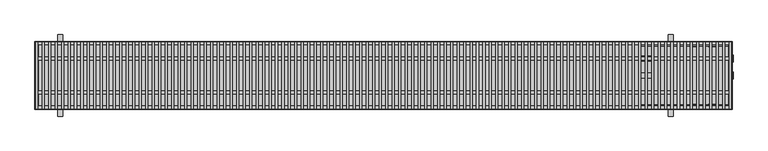
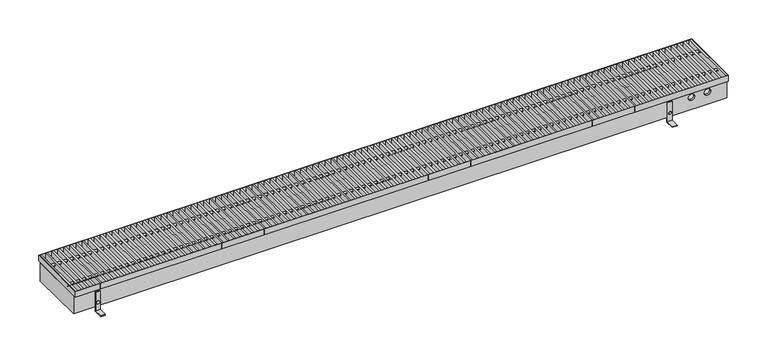
"""IFC4 building model written with IfcOpenShell, lengths in millimetres: proxy geometry."""

from ifc_helpers import new_model, si_unit, point, frame, frame_2d, origin, place, context, project, spatial, polyline, circle_curve, trimmed, segment, composite_curve, outline, extrude, faceted_brep, source, transform, mapped, element, save
from ifc_brep_helpers import plane_surface, revolved_surface, advanced_brep


def mechanical_equipment_a491f39c(model_context):
    return source(origin(), model_context, "Body", "SolidModel", [
        extrude(outline(polyline([(2022.9345794, -98.5), (2022.9345794, 98.5), (2028.9345794, 98.5), (2028.9345794, -98.5), (2022.9345794, -98.5)])), frame((0.0, 0.0, 77.0), z_axis=(0.0, 0.0, 1.0), x_axis=(1.0, 0.0, 0.0)), (0.0, 0.0, 1.0), 18.0),
        extrude(outline(polyline([(2003.8691589, -98.5), (2003.8691589, 98.5), (2009.8691589, 98.5), (2009.8691589, -98.5), (2003.8691589, -98.5)])), frame((0.0, 0.0, 77.0), z_axis=(0.0, 0.0, 1.0), x_axis=(1.0, 0.0, 0.0)), (0.0, 0.0, 1.0), 18.0),
        extrude(outline(polyline([(1984.8037383, -98.5), (1984.8037383, 98.5), (1990.8037383, 98.5), (1990.8037383, -98.5), (1984.8037383, -98.5)])), frame((0.0, 0.0, 77.0), z_axis=(0.0, 0.0, 1.0), x_axis=(1.0, 0.0, 0.0)), (0.0, 0.0, 1.0), 18.0),
        extrude(outline(polyline([(1965.7383178, -98.5), (1965.7383178, 98.5), (1971.7383178, 98.5), (1971.7383178, -98.5), (1965.7383178, -98.5)])), frame((0.0, 0.0, 77.0), z_axis=(0.0, 0.0, 1.0), x_axis=(1.0, 0.0, 0.0)), (0.0, 0.0, 1.0), 18.0),
        extrude(outline(polyline([(1946.6728972, -98.5), (1946.6728972, 98.5), (1952.6728972, 98.5), (1952.6728972, -98.5), (1946.6728972, -98.5)])), frame((0.0, 0.0, 77.0), z_axis=(0.0, 0.0, 1.0), x_axis=(1.0, 0.0, 0.0)), (0.0, 0.0, 1.0), 18.0),
        extrude(outline(polyline([(1927.6074766, -98.5), (1927.6074766, 98.5), (1933.6074766, 98.5), (1933.6074766, -98.5), (1927.6074766, -98.5)])), frame((0.0, 0.0, 77.0), z_axis=(0.0, 0.0, 1.0), x_axis=(1.0, 0.0, 0.0)), (0.0, 0.0, 1.0), 18.0),
        extrude(outline(polyline([(1908.5420561, -98.5), (1908.5420561, 98.5), (1914.5420561, 98.5), (1914.5420561, -98.5), (1908.5420561, -98.5)])), frame((0.0, 0.0, 77.0), z_axis=(0.0, 0.0, 1.0), x_axis=(1.0, 0.0, 0.0)), (0.0, 0.0, 1.0), 18.0),
        extrude(outline(polyline([(1889.4766355, -98.5), (1889.4766355, 98.5), (1895.4766355, 98.5), (1895.4766355, -98.5), (1889.4766355, -98.5)])), frame((0.0, 0.0, 77.0), z_axis=(0.0, 0.0, 1.0), x_axis=(1.0, 0.0, 0.0)), (0.0, 0.0, 1.0), 18.0),
        extrude(outline(polyline([(1870.411215, -98.5), (1870.411215, 98.5), (1876.411215, 98.5), (1876.411215, -98.5), (1870.411215, -98.5)])), frame((0.0, 0.0, 77.0), z_axis=(0.0, 0.0, 1.0), x_axis=(1.0, 0.0, 0.0)), (0.0, 0.0, 1.0), 18.0),
        extrude(outline(polyline([(1851.3457944, -98.5), (1851.3457944, 98.5), (1857.3457944, 98.5), (1857.3457944, -98.5), (1851.3457944, -98.5)])), frame((0.0, 0.0, 77.0), z_axis=(0.0, 0.0, 1.0), x_axis=(1.0, 0.0, 0.0)), (0.0, 0.0, 1.0), 18.0),
        extrude(outline(polyline([(1832.2803738, -98.5), (1832.2803738, 98.5), (1838.2803738, 98.5), (1838.2803738, -98.5), (1832.2803738, -98.5)])), frame((0.0, 0.0, 77.0), z_axis=(0.0, 0.0, 1.0), x_axis=(1.0, 0.0, 0.0)), (0.0, 0.0, 1.0), 18.0),
        extrude(outline(polyline([(1813.2149533, -98.5), (1813.2149533, 98.5), (1819.2149533, 98.5), (1819.2149533, -98.5), (1813.2149533, -98.5)])), frame((0.0, 0.0, 77.0), z_axis=(0.0, 0.0, 1.0), x_axis=(1.0, 0.0, 0.0)), (0.0, 0.0, 1.0), 18.0),
        extrude(outline(polyline([(1794.1495327, -98.5), (1794.1495327, 98.5), (1800.1495327, 98.5), (1800.1495327, -98.5), (1794.1495327, -98.5)])), frame((0.0, 0.0, 77.0), z_axis=(0.0, 0.0, 1.0), x_axis=(1.0, 0.0, 0.0)), (0.0, 0.0, 1.0), 18.0),
        extrude(outline(polyline([(1775.0841121, -98.5), (1775.0841121, 98.5), (1781.0841121, 98.5), (1781.0841121, -98.5), (1775.0841121, -98.5)])), frame((0.0, 0.0, 77.0), z_axis=(0.0, 0.0, 1.0), x_axis=(1.0, 0.0, 0.0)), (0.0, 0.0, 1.0), 18.0),
        extrude(outline(polyline([(1756.0186916, -98.5), (1756.0186916, 98.5), (1762.0186916, 98.5), (1762.0186916, -98.5), (1756.0186916, -98.5)])), frame((0.0, 0.0, 77.0), z_axis=(0.0, 0.0, 1.0), x_axis=(1.0, 0.0, 0.0)), (0.0, 0.0, 1.0), 18.0),
        extrude(outline(polyline([(1736.953271, -98.5), (1736.953271, 98.5), (1742.953271, 98.5), (1742.953271, -98.5), (1736.953271, -98.5)])), frame((0.0, 0.0, 77.0), z_axis=(0.0, 0.0, 1.0), x_axis=(1.0, 0.0, 0.0)), (0.0, 0.0, 1.0), 18.0),
        extrude(outline(polyline([(1717.8878505, -98.5), (1717.8878505, 98.5), (1723.8878505, 98.5), (1723.8878505, -98.5), (1717.8878505, -98.5)])), frame((0.0, 0.0, 77.0), z_axis=(0.0, 0.0, 1.0), x_axis=(1.0, 0.0, 0.0)), (0.0, 0.0, 1.0), 18.0),
        extrude(outline(polyline([(1698.8224299, -98.5), (1698.8224299, 98.5), (1704.8224299, 98.5), (1704.8224299, -98.5), (1698.8224299, -98.5)])), frame((0.0, 0.0, 77.0), z_axis=(0.0, 0.0, 1.0), x_axis=(1.0, 0.0, 0.0)), (0.0, 0.0, 1.0), 18.0),
        extrude(outline(polyline([(1679.7570093, -98.5), (1679.7570093, 98.5), (1685.7570093, 98.5), (1685.7570093, -98.5), (1679.7570093, -98.5)])), frame((0.0, 0.0, 77.0), z_axis=(0.0, 0.0, 1.0), x_axis=(1.0, 0.0, 0.0)), (0.0, 0.0, 1.0), 18.0),
        extrude(outline(polyline([(1660.6915888, -98.5), (1660.6915888, 98.5), (1666.6915888, 98.5), (1666.6915888, -98.5), (1660.6915888, -98.5)])), frame((0.0, 0.0, 77.0), z_axis=(0.0, 0.0, 1.0), x_axis=(1.0, 0.0, 0.0)), (0.0, 0.0, 1.0), 18.0),
        extrude(outline(polyline([(1641.6261682, -98.5), (1641.6261682, 98.5), (1647.6261682, 98.5), (1647.6261682, -98.5), (1641.6261682, -98.5)])), frame((0.0, 0.0, 77.0), z_axis=(0.0, 0.0, 1.0), x_axis=(1.0, 0.0, 0.0)), (0.0, 0.0, 1.0), 18.0),
        extrude(outline(polyline([(1622.5607477, -98.5), (1622.5607477, 98.5), (1628.5607477, 98.5), (1628.5607477, -98.5), (1622.5607477, -98.5)])), frame((0.0, 0.0, 77.0), z_axis=(0.0, 0.0, 1.0), x_axis=(1.0, 0.0, 0.0)), (0.0, 0.0, 1.0), 18.0),
        extrude(outline(polyline([(1603.4953271, -98.5), (1603.4953271, 98.5), (1609.4953271, 98.5), (1609.4953271, -98.5), (1603.4953271, -98.5)])), frame((0.0, 0.0, 77.0), z_axis=(0.0, 0.0, 1.0), x_axis=(1.0, 0.0, 0.0)), (0.0, 0.0, 1.0), 18.0),
        extrude(outline(polyline([(1584.4299065, -98.5), (1584.4299065, 98.5), (1590.4299065, 98.5), (1590.4299065, -98.5), (1584.4299065, -98.5)])), frame((0.0, 0.0, 77.0), z_axis=(0.0, 0.0, 1.0), x_axis=(1.0, 0.0, 0.0)), (0.0, 0.0, 1.0), 18.0),
        extrude(outline(polyline([(1565.364486, -98.5), (1565.364486, 98.5), (1571.364486, 98.5), (1571.364486, -98.5), (1565.364486, -98.5)])), frame((0.0, 0.0, 77.0), z_axis=(0.0, 0.0, 1.0), x_axis=(1.0, 0.0, 0.0)), (0.0, 0.0, 1.0), 18.0),
        extrude(outline(polyline([(1546.2990654, -98.5), (1546.2990654, 98.5), (1552.2990654, 98.5), (1552.2990654, -98.5), (1546.2990654, -98.5)])), frame((0.0, 0.0, 77.0), z_axis=(0.0, 0.0, 1.0), x_axis=(1.0, 0.0, 0.0)), (0.0, 0.0, 1.0), 18.0),
        extrude(outline(polyline([(1527.2336449, -98.5), (1527.2336449, 98.5), (1533.2336449, 98.5), (1533.2336449, -98.5), (1527.2336449, -98.5)])), frame((0.0, 0.0, 77.0), z_axis=(0.0, 0.0, 1.0), x_axis=(1.0, 0.0, 0.0)), (0.0, 0.0, 1.0), 18.0),
        extrude(outline(polyline([(1508.1682243, -98.5), (1508.1682243, 98.5), (1514.1682243, 98.5), (1514.1682243, -98.5), (1508.1682243, -98.5)])), frame((0.0, 0.0, 77.0), z_axis=(0.0, 0.0, 1.0), x_axis=(1.0, 0.0, 0.0)), (0.0, 0.0, 1.0), 18.0),
        extrude(outline(polyline([(1489.1028037, -98.5), (1489.1028037, 98.5), (1495.1028037, 98.5), (1495.1028037, -98.5), (1489.1028037, -98.5)])), frame((0.0, 0.0, 77.0), z_axis=(0.0, 0.0, 1.0), x_axis=(1.0, 0.0, 0.0)), (0.0, 0.0, 1.0), 18.0),
        extrude(outline(composite_curve([segment(trimmed(circle_curve(frame_2d((-50.0, 86.0)), 4.0), [point((-54.0, 86.0))], [point((-46.0, 86.0))], False, "CARTESIAN"), True, "CONTINUOUS"), segment(trimmed(circle_curve(frame_2d((-50.0, 86.0)), 4.0), [point((-46.0, 86.0))], [point((-54.0, 86.0))], False, "CARTESIAN"), True, "CONTINUOUS")], self_intersect=False)), frame((1.5, 0.0, 0.0), z_axis=(1.0, 0.0, 0.0), x_axis=(0.0, 1.0, 0.0)), (0.0, 0.0, 1.0), 2047.0),
        extrude(outline(composite_curve([segment(trimmed(circle_curve(frame_2d((50.0, 86.0)), 4.0), [point((46.0, 86.0))], [point((54.0, 86.0))], False, "CARTESIAN"), True, "CONTINUOUS"), segment(trimmed(circle_curve(frame_2d((50.0, 86.0)), 4.0), [point((54.0, 86.0))], [point((46.0, 86.0))], False, "CARTESIAN"), True, "CONTINUOUS")], self_intersect=False)), frame((1.5, 0.0, 0.0), z_axis=(1.0, 0.0, 0.0), x_axis=(0.0, 1.0, 0.0)), (0.0, 0.0, 1.0), 2047.0),
        extrude(outline(polyline([(1470.0373832, -98.5), (1470.0373832, 98.5), (1476.0373832, 98.5), (1476.0373832, -98.5), (1470.0373832, -98.5)])), frame((0.0, 0.0, 77.0), z_axis=(0.0, 0.0, 1.0), x_axis=(1.0, 0.0, 0.0)), (0.0, 0.0, 1.0), 18.0),
        extrude(outline(polyline([(1450.9719626, -98.5), (1450.9719626, 98.5), (1456.9719626, 98.5), (1456.9719626, -98.5), (1450.9719626, -98.5)])), frame((0.0, 0.0, 77.0), z_axis=(0.0, 0.0, 1.0), x_axis=(1.0, 0.0, 0.0)), (0.0, 0.0, 1.0), 18.0),
        extrude(outline(polyline([(1431.9065421, -98.5), (1431.9065421, 98.5), (1437.9065421, 98.5), (1437.9065421, -98.5), (1431.9065421, -98.5)])), frame((0.0, 0.0, 77.0), z_axis=(0.0, 0.0, 1.0), x_axis=(1.0, 0.0, 0.0)), (0.0, 0.0, 1.0), 18.0),
        extrude(outline(polyline([(1412.8411215, -98.5), (1412.8411215, 98.5), (1418.8411215, 98.5), (1418.8411215, -98.5), (1412.8411215, -98.5)])), frame((0.0, 0.0, 77.0), z_axis=(0.0, 0.0, 1.0), x_axis=(1.0, 0.0, 0.0)), (0.0, 0.0, 1.0), 18.0),
        extrude(outline(polyline([(1393.7757009, -98.5), (1393.7757009, 98.5), (1399.7757009, 98.5), (1399.7757009, -98.5), (1393.7757009, -98.5)])), frame((0.0, 0.0, 77.0), z_axis=(0.0, 0.0, 1.0), x_axis=(1.0, 0.0, 0.0)), (0.0, 0.0, 1.0), 18.0),
        extrude(outline(polyline([(1374.7102804, -98.5), (1374.7102804, 98.5), (1380.7102804, 98.5), (1380.7102804, -98.5), (1374.7102804, -98.5)])), frame((0.0, 0.0, 77.0), z_axis=(0.0, 0.0, 1.0), x_axis=(1.0, 0.0, 0.0)), (0.0, 0.0, 1.0), 18.0),
        extrude(outline(polyline([(1355.6448598, -98.5), (1355.6448598, 98.5), (1361.6448598, 98.5), (1361.6448598, -98.5), (1355.6448598, -98.5)])), frame((0.0, 0.0, 77.0), z_axis=(0.0, 0.0, 1.0), x_axis=(1.0, 0.0, 0.0)), (0.0, 0.0, 1.0), 18.0),
        extrude(outline(polyline([(1336.5794393, -98.5), (1336.5794393, 98.5), (1342.5794393, 98.5), (1342.5794393, -98.5), (1336.5794393, -98.5)])), frame((0.0, 0.0, 77.0), z_axis=(0.0, 0.0, 1.0), x_axis=(1.0, 0.0, 0.0)), (0.0, 0.0, 1.0), 18.0),
        extrude(outline(polyline([(1317.5140187, -98.5), (1317.5140187, 98.5), (1323.5140187, 98.5), (1323.5140187, -98.5), (1317.5140187, -98.5)])), frame((0.0, 0.0, 77.0), z_axis=(0.0, 0.0, 1.0), x_axis=(1.0, 0.0, 0.0)), (0.0, 0.0, 1.0), 18.0),
        extrude(outline(polyline([(1298.4485981, -98.5), (1298.4485981, 98.5), (1304.4485981, 98.5), (1304.4485981, -98.5), (1298.4485981, -98.5)])), frame((0.0, 0.0, 77.0), z_axis=(0.0, 0.0, 1.0), x_axis=(1.0, 0.0, 0.0)), (0.0, 0.0, 1.0), 18.0),
        extrude(outline(polyline([(1279.3831776, -98.5), (1279.3831776, 98.5), (1285.3831776, 98.5), (1285.3831776, -98.5), (1279.3831776, -98.5)])), frame((0.0, 0.0, 77.0), z_axis=(0.0, 0.0, 1.0), x_axis=(1.0, 0.0, 0.0)), (0.0, 0.0, 1.0), 18.0),
        extrude(outline(polyline([(1260.317757, -98.5), (1260.317757, 98.5), (1266.317757, 98.5), (1266.317757, -98.5), (1260.317757, -98.5)])), frame((0.0, 0.0, 77.0), z_axis=(0.0, 0.0, 1.0), x_axis=(1.0, 0.0, 0.0)), (0.0, 0.0, 1.0), 18.0),
        extrude(outline(polyline([(1241.2523364, -98.5), (1241.2523364, 98.5), (1247.2523364, 98.5), (1247.2523364, -98.5), (1241.2523364, -98.5)])), frame((0.0, 0.0, 77.0), z_axis=(0.0, 0.0, 1.0), x_axis=(1.0, 0.0, 0.0)), (0.0, 0.0, 1.0), 18.0),
        extrude(outline(polyline([(1222.1869159, -98.5), (1222.1869159, 98.5), (1228.1869159, 98.5), (1228.1869159, -98.5), (1222.1869159, -98.5)])), frame((0.0, 0.0, 77.0), z_axis=(0.0, 0.0, 1.0), x_axis=(1.0, 0.0, 0.0)), (0.0, 0.0, 1.0), 18.0),
        extrude(outline(polyline([(1203.1214953, -98.5), (1203.1214953, 98.5), (1209.1214953, 98.5), (1209.1214953, -98.5), (1203.1214953, -98.5)])), frame((0.0, 0.0, 77.0), z_axis=(0.0, 0.0, 1.0), x_axis=(1.0, 0.0, 0.0)), (0.0, 0.0, 1.0), 18.0),
        extrude(outline(polyline([(1184.0560748, -98.5), (1184.0560748, 98.5), (1190.0560748, 98.5), (1190.0560748, -98.5), (1184.0560748, -98.5)])), frame((0.0, 0.0, 77.0), z_axis=(0.0, 0.0, 1.0), x_axis=(1.0, 0.0, 0.0)), (0.0, 0.0, 1.0), 18.0),
        extrude(outline(polyline([(1164.9906542, -98.5), (1164.9906542, 98.5), (1170.9906542, 98.5), (1170.9906542, -98.5), (1164.9906542, -98.5)])), frame((0.0, 0.0, 77.0), z_axis=(0.0, 0.0, 1.0), x_axis=(1.0, 0.0, 0.0)), (0.0, 0.0, 1.0), 18.0),
        extrude(outline(polyline([(1145.9252336, -98.5), (1145.9252336, 98.5), (1151.9252336, 98.5), (1151.9252336, -98.5), (1145.9252336, -98.5)])), frame((0.0, 0.0, 77.0), z_axis=(0.0, 0.0, 1.0), x_axis=(1.0, 0.0, 0.0)), (0.0, 0.0, 1.0), 18.0),
        extrude(outline(polyline([(1126.8598131, -98.5), (1126.8598131, 98.5), (1132.8598131, 98.5), (1132.8598131, -98.5), (1126.8598131, -98.5)])), frame((0.0, 0.0, 77.0), z_axis=(0.0, 0.0, 1.0), x_axis=(1.0, 0.0, 0.0)), (0.0, 0.0, 1.0), 18.0),
        extrude(outline(polyline([(1107.7943925, -98.5), (1107.7943925, 98.5), (1113.7943925, 98.5), (1113.7943925, -98.5), (1107.7943925, -98.5)])), frame((0.0, 0.0, 77.0), z_axis=(0.0, 0.0, 1.0), x_axis=(1.0, 0.0, 0.0)), (0.0, 0.0, 1.0), 18.0),
        extrude(outline(polyline([(1088.728972, -98.5), (1088.728972, 98.5), (1094.728972, 98.5), (1094.728972, -98.5), (1088.728972, -98.5)])), frame((0.0, 0.0, 77.0), z_axis=(0.0, 0.0, 1.0), x_axis=(1.0, 0.0, 0.0)), (0.0, 0.0, 1.0), 18.0),
        extrude(outline(polyline([(1069.6635514, -98.5), (1069.6635514, 98.5), (1075.6635514, 98.5), (1075.6635514, -98.5), (1069.6635514, -98.5)])), frame((0.0, 0.0, 77.0), z_axis=(0.0, 0.0, 1.0), x_axis=(1.0, 0.0, 0.0)), (0.0, 0.0, 1.0), 18.0),
        extrude(outline(polyline([(1050.5981308, -98.5), (1050.5981308, 98.5), (1056.5981308, 98.5), (1056.5981308, -98.5), (1050.5981308, -98.5)])), frame((0.0, 0.0, 77.0), z_axis=(0.0, 0.0, 1.0), x_axis=(1.0, 0.0, 0.0)), (0.0, 0.0, 1.0), 18.0),
        extrude(outline(polyline([(1031.5327103, -98.5), (1031.5327103, 98.5), (1037.5327103, 98.5), (1037.5327103, -98.5), (1031.5327103, -98.5)])), frame((0.0, 0.0, 77.0), z_axis=(0.0, 0.0, 1.0), x_axis=(1.0, 0.0, 0.0)), (0.0, 0.0, 1.0), 18.0),
        extrude(outline(polyline([(1012.4672897, -98.5), (1012.4672897, 98.5), (1018.4672897, 98.5), (1018.4672897, -98.5), (1012.4672897, -98.5)])), frame((0.0, 0.0, 77.0), z_axis=(0.0, 0.0, 1.0), x_axis=(1.0, 0.0, 0.0)), (0.0, 0.0, 1.0), 18.0),
        extrude(outline(polyline([(993.4018692, -98.5), (993.4018692, 98.5), (999.4018692, 98.5), (999.4018692, -98.5), (993.4018692, -98.5)])), frame((0.0, 0.0, 77.0), z_axis=(0.0, 0.0, 1.0), x_axis=(1.0, 0.0, 0.0)), (0.0, 0.0, 1.0), 18.0),
        extrude(outline(polyline([(974.3364486, -98.5), (974.3364486, 98.5), (980.3364486, 98.5), (980.3364486, -98.5), (974.3364486, -98.5)])), frame((0.0, 0.0, 77.0), z_axis=(0.0, 0.0, 1.0), x_axis=(1.0, 0.0, 0.0)), (0.0, 0.0, 1.0), 18.0),
        extrude(outline(polyline([(955.271028, -98.5), (955.271028, 98.5), (961.271028, 98.5), (961.271028, -98.5), (955.271028, -98.5)])), frame((0.0, 0.0, 77.0), z_axis=(0.0, 0.0, 1.0), x_axis=(1.0, 0.0, 0.0)), (0.0, 0.0, 1.0), 18.0),
        extrude(outline(polyline([(936.2056075, -98.5), (936.2056075, 98.5), (942.2056075, 98.5), (942.2056075, -98.5), (936.2056075, -98.5)])), frame((0.0, 0.0, 77.0), z_axis=(0.0, 0.0, 1.0), x_axis=(1.0, 0.0, 0.0)), (0.0, 0.0, 1.0), 18.0),
        extrude(outline(polyline([(917.1401869, -98.5), (917.1401869, 98.5), (923.1401869, 98.5), (923.1401869, -98.5), (917.1401869, -98.5)])), frame((0.0, 0.0, 77.0), z_axis=(0.0, 0.0, 1.0), x_axis=(1.0, 0.0, 0.0)), (0.0, 0.0, 1.0), 18.0),
        extrude(outline(polyline([(898.0747664, -98.5), (898.0747664, 98.5), (904.0747664, 98.5), (904.0747664, -98.5), (898.0747664, -98.5)])), frame((0.0, 0.0, 77.0), z_axis=(0.0, 0.0, 1.0), x_axis=(1.0, 0.0, 0.0)), (0.0, 0.0, 1.0), 18.0),
        extrude(outline(polyline([(879.0093458, -98.5), (879.0093458, 98.5), (885.0093458, 98.5), (885.0093458, -98.5), (879.0093458, -98.5)])), frame((0.0, 0.0, 77.0), z_axis=(0.0, 0.0, 1.0), x_axis=(1.0, 0.0, 0.0)), (0.0, 0.0, 1.0), 18.0),
        extrude(outline(polyline([(859.9439252, -98.5), (859.9439252, 98.5), (865.9439252, 98.5), (865.9439252, -98.5), (859.9439252, -98.5)])), frame((0.0, 0.0, 77.0), z_axis=(0.0, 0.0, 1.0), x_axis=(1.0, 0.0, 0.0)), (0.0, 0.0, 1.0), 18.0),
        extrude(outline(polyline([(840.8785047, -98.5), (840.8785047, 98.5), (846.8785047, 98.5), (846.8785047, -98.5), (840.8785047, -98.5)])), frame((0.0, 0.0, 77.0), z_axis=(0.0, 0.0, 1.0), x_axis=(1.0, 0.0, 0.0)), (0.0, 0.0, 1.0), 18.0),
        extrude(outline(polyline([(821.8130841, -98.5), (821.8130841, 98.5), (827.8130841, 98.5), (827.8130841, -98.5), (821.8130841, -98.5)])), frame((0.0, 0.0, 77.0), z_axis=(0.0, 0.0, 1.0), x_axis=(1.0, 0.0, 0.0)), (0.0, 0.0, 1.0), 18.0),
        extrude(outline(polyline([(802.7476636, -98.5), (802.7476636, 98.5), (808.7476636, 98.5), (808.7476636, -98.5), (802.7476636, -98.5)])), frame((0.0, 0.0, 77.0), z_axis=(0.0, 0.0, 1.0), x_axis=(1.0, 0.0, 0.0)), (0.0, 0.0, 1.0), 18.0),
        extrude(outline(polyline([(783.682243, -98.5), (783.682243, 98.5), (789.682243, 98.5), (789.682243, -98.5), (783.682243, -98.5)])), frame((0.0, 0.0, 77.0), z_axis=(0.0, 0.0, 1.0), x_axis=(1.0, 0.0, 0.0)), (0.0, 0.0, 1.0), 18.0),
        extrude(outline(polyline([(764.6168224, -98.5), (764.6168224, 98.5), (770.6168224, 98.5), (770.6168224, -98.5), (764.6168224, -98.5)])), frame((0.0, 0.0, 77.0), z_axis=(0.0, 0.0, 1.0), x_axis=(1.0, 0.0, 0.0)), (0.0, 0.0, 1.0), 18.0),
        extrude(outline(polyline([(745.5514019, -98.5), (745.5514019, 98.5), (751.5514019, 98.5), (751.5514019, -98.5), (745.5514019, -98.5)])), frame((0.0, 0.0, 77.0), z_axis=(0.0, 0.0, 1.0), x_axis=(1.0, 0.0, 0.0)), (0.0, 0.0, 1.0), 18.0),
        extrude(outline(polyline([(726.4859813, -98.5), (726.4859813, 98.5), (732.4859813, 98.5), (732.4859813, -98.5), (726.4859813, -98.5)])), frame((0.0, 0.0, 77.0), z_axis=(0.0, 0.0, 1.0), x_axis=(1.0, 0.0, 0.0)), (0.0, 0.0, 1.0), 18.0),
        extrude(outline(polyline([(707.4205607, -98.5), (707.4205607, 98.5), (713.4205607, 98.5), (713.4205607, -98.5), (707.4205607, -98.5)])), frame((0.0, 0.0, 77.0), z_axis=(0.0, 0.0, 1.0), x_axis=(1.0, 0.0, 0.0)), (0.0, 0.0, 1.0), 18.0),
        extrude(outline(polyline([(688.3551402, -98.5), (688.3551402, 98.5), (694.3551402, 98.5), (694.3551402, -98.5), (688.3551402, -98.5)])), frame((0.0, 0.0, 77.0), z_axis=(0.0, 0.0, 1.0), x_axis=(1.0, 0.0, 0.0)), (0.0, 0.0, 1.0), 18.0),
        extrude(outline(polyline([(669.2897196, -98.5), (669.2897196, 98.5), (675.2897196, 98.5), (675.2897196, -98.5), (669.2897196, -98.5)])), frame((0.0, 0.0, 77.0), z_axis=(0.0, 0.0, 1.0), x_axis=(1.0, 0.0, 0.0)), (0.0, 0.0, 1.0), 18.0),
        extrude(outline(polyline([(650.2242991, -98.5), (650.2242991, 98.5), (656.2242991, 98.5), (656.2242991, -98.5), (650.2242991, -98.5)])), frame((0.0, 0.0, 77.0), z_axis=(0.0, 0.0, 1.0), x_axis=(1.0, 0.0, 0.0)), (0.0, 0.0, 1.0), 18.0),
        extrude(outline(polyline([(631.1588785, -98.5), (631.1588785, 98.5), (637.1588785, 98.5), (637.1588785, -98.5), (631.1588785, -98.5)])), frame((0.0, 0.0, 77.0), z_axis=(0.0, 0.0, 1.0), x_axis=(1.0, 0.0, 0.0)), (0.0, 0.0, 1.0), 18.0),
        extrude(outline(polyline([(612.0934579, -98.5), (612.0934579, 98.5), (618.0934579, 98.5), (618.0934579, -98.5), (612.0934579, -98.5)])), frame((0.0, 0.0, 77.0), z_axis=(0.0, 0.0, 1.0), x_axis=(1.0, 0.0, 0.0)), (0.0, 0.0, 1.0), 18.0),
        extrude(outline(polyline([(593.0280374, -98.5), (593.0280374, 98.5), (599.0280374, 98.5), (599.0280374, -98.5), (593.0280374, -98.5)])), frame((0.0, 0.0, 77.0), z_axis=(0.0, 0.0, 1.0), x_axis=(1.0, 0.0, 0.0)), (0.0, 0.0, 1.0), 18.0),
        extrude(outline(polyline([(573.9626168, -98.5), (573.9626168, 98.5), (579.9626168, 98.5), (579.9626168, -98.5), (573.9626168, -98.5)])), frame((0.0, 0.0, 77.0), z_axis=(0.0, 0.0, 1.0), x_axis=(1.0, 0.0, 0.0)), (0.0, 0.0, 1.0), 18.0),
        extrude(outline(polyline([(554.8971963, -98.5), (554.8971963, 98.5), (560.8971963, 98.5), (560.8971963, -98.5), (554.8971963, -98.5)])), frame((0.0, 0.0, 77.0), z_axis=(0.0, 0.0, 1.0), x_axis=(1.0, 0.0, 0.0)), (0.0, 0.0, 1.0), 18.0),
        extrude(outline(polyline([(535.8317757, -98.5), (535.8317757, 98.5), (541.8317757, 98.5), (541.8317757, -98.5), (535.8317757, -98.5)])), frame((0.0, 0.0, 77.0), z_axis=(0.0, 0.0, 1.0), x_axis=(1.0, 0.0, 0.0)), (0.0, 0.0, 1.0), 18.0),
        extrude(outline(polyline([(516.7663551, -98.5), (516.7663551, 98.5), (522.7663551, 98.5), (522.7663551, -98.5), (516.7663551, -98.5)])), frame((0.0, 0.0, 77.0), z_axis=(0.0, 0.0, 1.0), x_axis=(1.0, 0.0, 0.0)), (0.0, 0.0, 1.0), 18.0),
        extrude(outline(polyline([(497.7009346, -98.5), (497.7009346, 98.5), (503.7009346, 98.5), (503.7009346, -98.5), (497.7009346, -98.5)])), frame((0.0, 0.0, 77.0), z_axis=(0.0, 0.0, 1.0), x_axis=(1.0, 0.0, 0.0)), (0.0, 0.0, 1.0), 18.0),
        extrude(outline(polyline([(478.635514, -98.5), (478.635514, 98.5), (484.635514, 98.5), (484.635514, -98.5), (478.635514, -98.5)])), frame((0.0, 0.0, 77.0), z_axis=(0.0, 0.0, 1.0), x_axis=(1.0, 0.0, 0.0)), (0.0, 0.0, 1.0), 18.0),
        extrude(outline(polyline([(459.5700935, -98.5), (459.5700935, 98.5), (465.5700935, 98.5), (465.5700935, -98.5), (459.5700935, -98.5)])), frame((0.0, 0.0, 77.0), z_axis=(0.0, 0.0, 1.0), x_axis=(1.0, 0.0, 0.0)), (0.0, 0.0, 1.0), 18.0),
        extrude(outline(polyline([(440.5046729, -98.5), (440.5046729, 98.5), (446.5046729, 98.5), (446.5046729, -98.5), (440.5046729, -98.5)])), frame((0.0, 0.0, 77.0), z_axis=(0.0, 0.0, 1.0), x_axis=(1.0, 0.0, 0.0)), (0.0, 0.0, 1.0), 18.0),
        extrude(outline(polyline([(421.4392523, -98.5), (421.4392523, 98.5), (427.4392523, 98.5), (427.4392523, -98.5), (421.4392523, -98.5)])), frame((0.0, 0.0, 77.0), z_axis=(0.0, 0.0, 1.0), x_axis=(1.0, 0.0, 0.0)), (0.0, 0.0, 1.0), 18.0),
        extrude(outline(polyline([(402.3738318, -98.5), (402.3738318, 98.5), (408.3738318, 98.5), (408.3738318, -98.5), (402.3738318, -98.5)])), frame((0.0, 0.0, 77.0), z_axis=(0.0, 0.0, 1.0), x_axis=(1.0, 0.0, 0.0)), (0.0, 0.0, 1.0), 18.0),
        extrude(outline(polyline([(383.3084112, -98.5), (383.3084112, 98.5), (389.3084112, 98.5), (389.3084112, -98.5), (383.3084112, -98.5)])), frame((0.0, 0.0, 77.0), z_axis=(0.0, 0.0, 1.0), x_axis=(1.0, 0.0, 0.0)), (0.0, 0.0, 1.0), 18.0),
        extrude(outline(polyline([(364.2429907, -98.5), (364.2429907, 98.5), (370.2429907, 98.5), (370.2429907, -98.5), (364.2429907, -98.5)])), frame((0.0, 0.0, 77.0), z_axis=(0.0, 0.0, 1.0), x_axis=(1.0, 0.0, 0.0)), (0.0, 0.0, 1.0), 18.0),
        extrude(outline(polyline([(345.1775701, -98.5), (345.1775701, 98.5), (351.1775701, 98.5), (351.1775701, -98.5), (345.1775701, -98.5)])), frame((0.0, 0.0, 77.0), z_axis=(0.0, 0.0, 1.0), x_axis=(1.0, 0.0, 0.0)), (0.0, 0.0, 1.0), 18.0),
        extrude(outline(polyline([(326.1121495, -98.5), (326.1121495, 98.5), (332.1121495, 98.5), (332.1121495, -98.5), (326.1121495, -98.5)])), frame((0.0, 0.0, 77.0), z_axis=(0.0, 0.0, 1.0), x_axis=(1.0, 0.0, 0.0)), (0.0, 0.0, 1.0), 18.0),
        extrude(outline(polyline([(307.046729, -98.5), (307.046729, 98.5), (313.046729, 98.5), (313.046729, -98.5), (307.046729, -98.5)])), frame((0.0, 0.0, 77.0), z_axis=(0.0, 0.0, 1.0), x_axis=(1.0, 0.0, 0.0)), (0.0, 0.0, 1.0), 18.0),
        extrude(outline(polyline([(287.9813084, -98.5), (287.9813084, 98.5), (293.9813084, 98.5), (293.9813084, -98.5), (287.9813084, -98.5)])), frame((0.0, 0.0, 77.0), z_axis=(0.0, 0.0, 1.0), x_axis=(1.0, 0.0, 0.0)), (0.0, 0.0, 1.0), 18.0),
        extrude(outline(polyline([(268.9158879, -98.5), (268.9158879, 98.5), (274.9158879, 98.5), (274.9158879, -98.5), (268.9158879, -98.5)])), frame((0.0, 0.0, 77.0), z_axis=(0.0, 0.0, 1.0), x_axis=(1.0, 0.0, 0.0)), (0.0, 0.0, 1.0), 18.0),
        extrude(outline(polyline([(249.8504673, -98.5), (249.8504673, 98.5), (255.8504673, 98.5), (255.8504673, -98.5), (249.8504673, -98.5)])), frame((0.0, 0.0, 77.0), z_axis=(0.0, 0.0, 1.0), x_axis=(1.0, 0.0, 0.0)), (0.0, 0.0, 1.0), 18.0),
        extrude(outline(polyline([(230.7850467, -98.5), (230.7850467, 98.5), (236.7850467, 98.5), (236.7850467, -98.5), (230.7850467, -98.5)])), frame((0.0, 0.0, 77.0), z_axis=(0.0, 0.0, 1.0), x_axis=(1.0, 0.0, 0.0)), (0.0, 0.0, 1.0), 18.0),
        extrude(outline(polyline([(211.7196262, -98.5), (211.7196262, 98.5), (217.7196262, 98.5), (217.7196262, -98.5), (211.7196262, -98.5)])), frame((0.0, 0.0, 77.0), z_axis=(0.0, 0.0, 1.0), x_axis=(1.0, 0.0, 0.0)), (0.0, 0.0, 1.0), 18.0),
        extrude(outline(polyline([(192.6542056, -98.5), (192.6542056, 98.5), (198.6542056, 98.5), (198.6542056, -98.5), (192.6542056, -98.5)])), frame((0.0, 0.0, 77.0), z_axis=(0.0, 0.0, 1.0), x_axis=(1.0, 0.0, 0.0)), (0.0, 0.0, 1.0), 18.0),
        extrude(outline(polyline([(173.588785, -98.5), (173.588785, 98.5), (179.588785, 98.5), (179.588785, -98.5), (173.588785, -98.5)])), frame((0.0, 0.0, 77.0), z_axis=(0.0, 0.0, 1.0), x_axis=(1.0, 0.0, 0.0)), (0.0, 0.0, 1.0), 18.0),
        extrude(outline(polyline([(154.5233645, -98.5), (154.5233645, 98.5), (160.5233645, 98.5), (160.5233645, -98.5), (154.5233645, -98.5)])), frame((0.0, 0.0, 77.0), z_axis=(0.0, 0.0, 1.0), x_axis=(1.0, 0.0, 0.0)), (0.0, 0.0, 1.0), 18.0),
        extrude(outline(polyline([(135.4579439, -98.5), (135.4579439, 98.5), (141.4579439, 98.5), (141.4579439, -98.5), (135.4579439, -98.5)])), frame((0.0, 0.0, 77.0), z_axis=(0.0, 0.0, 1.0), x_axis=(1.0, 0.0, 0.0)), (0.0, 0.0, 1.0), 18.0),
        extrude(outline(polyline([(116.3925234, -98.5), (116.3925234, 98.5), (122.3925234, 98.5), (122.3925234, -98.5), (116.3925234, -98.5)])), frame((0.0, 0.0, 77.0), z_axis=(0.0, 0.0, 1.0), x_axis=(1.0, 0.0, 0.0)), (0.0, 0.0, 1.0), 18.0),
        extrude(outline(polyline([(97.3271028, -98.5), (97.3271028, 98.5), (103.3271028, 98.5), (103.3271028, -98.5), (97.3271028, -98.5)])), frame((0.0, 0.0, 77.0), z_axis=(0.0, 0.0, 1.0), x_axis=(1.0, 0.0, 0.0)), (0.0, 0.0, 1.0), 18.0),
        extrude(outline(polyline([(78.2616822, -98.5), (78.2616822, 98.5), (84.2616822, 98.5), (84.2616822, -98.5), (78.2616822, -98.5)])), frame((0.0, 0.0, 77.0), z_axis=(0.0, 0.0, 1.0), x_axis=(1.0, 0.0, 0.0)), (0.0, 0.0, 1.0), 18.0),
        extrude(outline(polyline([(59.1962617, -98.5), (59.1962617, 98.5), (65.1962617, 98.5), (65.1962617, -98.5), (59.1962617, -98.5)])), frame((0.0, 0.0, 77.0), z_axis=(0.0, 0.0, 1.0), x_axis=(1.0, 0.0, 0.0)), (0.0, 0.0, 1.0), 18.0),
        extrude(outline(polyline([(40.1308411, -98.5), (40.1308411, 98.5), (46.1308411, 98.5), (46.1308411, -98.5), (40.1308411, -98.5)])), frame((0.0, 0.0, 77.0), z_axis=(0.0, 0.0, 1.0), x_axis=(1.0, 0.0, 0.0)), (0.0, 0.0, 1.0), 18.0),
        extrude(outline(polyline([(21.0654206, -98.5), (21.0654206, 98.5), (27.0654206, 98.5), (27.0654206, -98.5), (21.0654206, -98.5)])), frame((0.0, 0.0, 77.0), z_axis=(0.0, 0.0, 1.0), x_axis=(1.0, 0.0, 0.0)), (0.0, 0.0, 1.0), 18.0),
        extrude(outline(polyline([(2042.0, -98.5), (2042.0, 98.5), (2048.0, 98.5), (2048.0, -98.5), (2042.0, -98.5)])), frame((0.0, 0.0, 77.0), z_axis=(0.0, 0.0, 1.0), x_axis=(1.0, 0.0, 0.0)), (0.0, 0.0, 1.0), 18.0),
        extrude(outline(polyline([(2.0, -98.5), (2.0, 98.5), (8.0, 98.5), (8.0, -98.5), (2.0, -98.5)])), frame((0.0, 0.0, 77.0), z_axis=(0.0, 0.0, 1.0), x_axis=(1.0, 0.0, 0.0)), (0.0, 0.0, 1.0), 18.0),
        faceted_brep([(2050.0, 100.0, 76.0071882), (2050.0, 100.0, 95.0), (2050.0, -100.0, 95.0), (2050.0, -100.0, 76.0071882), (2039.0225165, 89.0225165, 77.0), (2039.0225165, 89.0225165, 76.0071882), (2039.0225165, -89.0225165, 76.0071882), (2039.0225165, -89.0225165, 77.0), (2049.0, 99.0, 95.0), (2049.0, 99.0, 77.0), (2049.0, -99.0, 77.0), (2049.0, -99.0, 95.0), (0.0, -100.0, 95.0), (0.0, -100.0, 76.0071882), (10.9774835, -89.0225165, 76.0071882), (10.9774835, -89.0225165, 77.0), (1.0, -99.0, 77.0), (1.0, -99.0, 95.0), (0.0, 100.0, 95.0), (0.0, 100.0, 76.0071882), (10.9774835, 89.0225165, 76.0071882), (10.9774835, 89.0225165, 77.0), (1.0, 99.0, 77.0), (1.0, 99.0, 95.0)], [[[0, 1, 2, 3]], [[4, 5, 6, 7]], [[8, 9, 10, 11]], [[3, 2, 12, 13]], [[7, 6, 14, 15]], [[11, 10, 16, 17]], [[13, 12, 18, 19]], [[15, 14, 20, 21]], [[17, 16, 22, 23]], [[19, 18, 1, 0]], [[3, 13, 19, 0], [5, 20, 14, 6]], [[21, 20, 5, 4]], [[9, 22, 16, 10], [7, 15, 21, 4]], [[23, 22, 9, 8]], [[1, 18, 12, 2], [11, 17, 23, 8]]]),
        extrude(outline(polyline([(120.0, 0.0), (90.0, 0.0), (90.0, 65.0), (93.0, 65.0), (93.0, 3.0), (120.0, 3.0), (120.0, 0.0)])), frame((1862.5, 0.0, 0.0), z_axis=(1.0, 0.0, 0.0), x_axis=(0.0, 1.0, 0.0)), (0.0, 0.0, 1.0), 15.0),
        extrude(outline(polyline([(32.5, 1865.669873), (27.5, 1865.669873), (25.0, 1870.0), (27.5, 1874.330127), (32.5, 1874.330127), (35.0, 1870.0), (32.5, 1865.669873)])), frame((0.0, 93.0, 0.0), z_axis=(0.0, 1.0, 0.0), x_axis=(0.0, 0.0, 1.0)), (0.0, 0.0, 1.0), 1.0863674),
        extrude(outline(polyline([(120.0, 0.0), (90.0, 0.0), (90.0, 65.0), (93.0, 65.0), (93.0, 3.0), (120.0, 3.0), (120.0, 0.0)])), frame((67.5, 0.0, 0.0), z_axis=(1.0, 0.0, 0.0), x_axis=(0.0, 1.0, 0.0)), (0.0, 0.0, 1.0), 15.0),
        extrude(outline(polyline([(32.5, 70.669873), (27.5, 70.669873), (25.0, 75.0), (27.5, 79.330127), (32.5, 79.330127), (35.0, 75.0), (32.5, 70.669873)])), frame((0.0, 93.0, 0.0), z_axis=(0.0, 1.0, 0.0), x_axis=(0.0, 0.0, 1.0)), (0.0, 0.0, 1.0), 1.0863674),
        extrude(outline(polyline([(-120.0, 0.0), (-120.0, 3.0), (-93.0, 3.0), (-93.0, 65.0), (-90.0, 65.0), (-90.0, 0.0), (-120.0, 0.0)])), frame((1862.5, 0.0, 0.0), z_axis=(1.0, 0.0, 0.0), x_axis=(0.0, 1.0, 0.0)), (0.0, 0.0, 1.0), 15.0),
        extrude(outline(polyline([(32.5, 1865.669873), (27.5, 1865.669873), (25.0, 1870.0), (27.5, 1874.330127), (32.5, 1874.330127), (35.0, 1870.0), (32.5, 1865.669873)])), frame((0.0, -94.0863674, 0.0), z_axis=(0.0, 1.0, 0.0), x_axis=(0.0, 0.0, 1.0)), (0.0, 0.0, 1.0), 1.0863674),
        extrude(outline(polyline([(-120.0, 0.0), (-120.0, 3.0), (-93.0, 3.0), (-93.0, 65.0), (-90.0, 65.0), (-90.0, 0.0), (-120.0, 0.0)])), frame((67.5, 0.0, 0.0), z_axis=(1.0, 0.0, 0.0), x_axis=(0.0, 1.0, 0.0)), (0.0, 0.0, 1.0), 15.0),
        extrude(outline(polyline([(32.5, 70.669873), (27.5, 70.669873), (25.0, 75.0), (27.5, 79.330127), (32.5, 79.330127), (35.0, 75.0), (32.5, 70.669873)])), frame((0.0, -94.0863674, 0.0), z_axis=(0.0, 1.0, 0.0), x_axis=(0.0, 0.0, 1.0)), (0.0, 0.0, 1.0), 1.0863674),
        extrude(outline(composite_curve([segment(trimmed(circle_curve(frame_2d((50.0, 55.0)), 10.0), [point((40.0, 55.0))], [point((60.0, 55.0))], False, "CARTESIAN"), True, "CONTINUOUS"), segment(trimmed(circle_curve(frame_2d((50.0, 55.0)), 10.0), [point((60.0, 55.0))], [point((40.0, 55.0))], False, "CARTESIAN"), True, "CONTINUOUS")], self_intersect=False)), frame((2050.0, 0.0, 0.0), z_axis=(1.0, 0.0, 0.0), x_axis=(0.0, 1.0, 0.0)), (0.0, 0.0, 1.0), 3.0),
        extrude(outline(composite_curve([segment(trimmed(circle_curve(frame_2d((0.0, 55.0)), 10.0), [point((-10.0, 55.0))], [point((10.0, 55.0))], False, "CARTESIAN"), True, "CONTINUOUS"), segment(trimmed(circle_curve(frame_2d((0.0, 55.0)), 10.0), [point((10.0, 55.0))], [point((-10.0, 55.0))], False, "CARTESIAN"), True, "CONTINUOUS")], self_intersect=False)), frame((2050.0, 0.0, 0.0), z_axis=(1.0, 0.0, 0.0), x_axis=(0.0, 1.0, 0.0)), (0.0, 0.0, 1.0), 3.0),
        extrude(outline(composite_curve([segment(trimmed(circle_curve(frame_2d((55.0, 1940.0)), 10.0), [point((55.0, 1950.0))], [point((55.0, 1930.0))], False, "CARTESIAN"), True, "CONTINUOUS"), segment(trimmed(circle_curve(frame_2d((55.0, 1940.0)), 10.0), [point((55.0, 1930.0))], [point((55.0, 1950.0))], False, "CARTESIAN"), True, "CONTINUOUS")], self_intersect=False)), frame((0.0, 90.0, 0.0), z_axis=(0.0, 1.0, 0.0), x_axis=(0.0, 0.0, 1.0)), (0.0, 0.0, 1.0), 3.0),
        extrude(outline(composite_curve([segment(trimmed(circle_curve(frame_2d((55.0, 1990.0)), 10.0), [point((55.0, 2000.0))], [point((55.0, 1980.0))], False, "CARTESIAN"), True, "CONTINUOUS"), segment(trimmed(circle_curve(frame_2d((55.0, 1990.0)), 10.0), [point((55.0, 1980.0))], [point((55.0, 2000.0))], False, "CARTESIAN"), True, "CONTINUOUS")], self_intersect=False)), frame((0.0, 90.0, 0.0), z_axis=(0.0, 1.0, 0.0), x_axis=(0.0, 0.0, 1.0)), (0.0, 0.0, 1.0), 3.0),
        extrude(outline(composite_curve([segment(trimmed(circle_curve(frame_2d((0.0, 55.0)), 7.5), [point((-7.5, 55.0))], [point((7.5, 55.0))], False, "CARTESIAN"), True, "CONTINUOUS"), segment(trimmed(circle_curve(frame_2d((0.0, 55.0)), 7.5), [point((7.5, 55.0))], [point((-7.5, 55.0))], False, "CARTESIAN"), True, "CONTINUOUS")], self_intersect=False)), frame((1780.0, 0.0, 0.0), z_axis=(1.0, 0.0, 0.0), x_axis=(0.0, 1.0, 0.0)), (0.0, 0.0, 1.0), 40.0),
        extrude(outline(composite_curve([segment(trimmed(circle_curve(frame_2d((50.0, 55.0)), 7.5), [point((42.5, 55.0))], [point((57.5, 55.0))], False, "CARTESIAN"), True, "CONTINUOUS"), segment(trimmed(circle_curve(frame_2d((50.0, 55.0)), 7.5), [point((57.5, 55.0))], [point((42.5, 55.0))], False, "CARTESIAN"), True, "CONTINUOUS")], self_intersect=False)), frame((1780.0, 0.0, 0.0), z_axis=(1.0, 0.0, 0.0), x_axis=(0.0, 1.0, 0.0)), (0.0, 0.0, 1.0), 40.0),
        advanced_brep(
        [(2050.0, 90.0, 76.0), (2050.0, 90.0, 15.0), (0.0, 90.0, 15.0), (0.0, 90.0, 76.0), (1930.0, 90.0, 55.0), (1950.0, 90.0, 55.0), (1980.0, 90.0, 55.0), (2000.0, 90.0, 55.0), (2050.0, -90.0, 76.0), (0.0, -90.0, 76.0), (0.0, -90.0, 15.0), (2050.0, -90.0, 15.0), (1950.0, -90.0, 55.0), (1930.0, -90.0, 55.0), (2000.0, -90.0, 55.0), (1980.0, -90.0, 55.0), (2050.0, 10.0, 55.0), (2050.0, -10.0, 55.0), (2050.0, 60.0, 55.0), (2050.0, 40.0, 55.0), (1780.0, 85.0, 76.0), (2045.0, 85.0, 76.0), (2045.0, -85.0, 76.0), (1780.0, -85.0, 76.0), (1780.0, 85.0, 20.0), (2045.0, 85.0, 20.0), (1950.0, 85.0, 55.0), (1930.0, 85.0, 55.0), (2000.0, 85.0, 55.0), (1980.0, 85.0, 55.0), (2045.0, -85.0, 20.0), (1780.0, -85.0, 20.0), (1930.0, -85.0, 55.0), (1950.0, -85.0, 55.0), (1980.0, -85.0, 55.0), (2000.0, -85.0, 55.0), (2045.0, -10.0, 55.0), (2045.0, 10.0, 55.0), (2045.0, 40.0, 55.0), (2045.0, 60.0, 55.0)],
        [
            (0, 1),
            (1, 2),
            (2, 3),
            (3, 0),
            (4, 5, circle_curve(frame((1940.0, 90.0, 55.0), z_axis=(0.0, -1.0, 0.0), x_axis=(-1.0, 0.0, 0.0)), 10.0)),
            (5, 4, circle_curve(frame((1940.0, 90.0, 55.0), z_axis=(0.0, -1.0, 0.0), x_axis=(-1.0, 0.0, 0.0)), 10.0)),
            (6, 7, circle_curve(frame((1990.0, 90.0, 55.0), z_axis=(0.0, -1.0, 0.0), x_axis=(-1.0, 0.0, 0.0)), 10.0)),
            (7, 6, circle_curve(frame((1990.0, 90.0, 55.0), z_axis=(0.0, -1.0, 0.0), x_axis=(-1.0, 0.0, 0.0)), 10.0)),
            (8, 9),
            (9, 10),
            (10, 11),
            (11, 8),
            (12, 13, circle_curve(frame((1940.0, -90.0, 55.0), z_axis=(0.0, 1.0, 0.0), x_axis=(-1.0, 0.0, 0.0)), 10.0)),
            (13, 12, circle_curve(frame((1940.0, -90.0, 55.0), z_axis=(0.0, 1.0, 0.0), x_axis=(-1.0, 0.0, 0.0)), 10.0)),
            (14, 15, circle_curve(frame((1990.0, -90.0, 55.0), z_axis=(0.0, 1.0, 0.0), x_axis=(-1.0, 0.0, 0.0)), 10.0)),
            (15, 14, circle_curve(frame((1990.0, -90.0, 55.0), z_axis=(0.0, 1.0, 0.0), x_axis=(-1.0, 0.0, 0.0)), 10.0)),
            (0, 8),
            (11, 1),
            (16, 17, circle_curve(frame((2050.0, 0.0, 55.0), z_axis=(-1.0, 0.0, 0.0), x_axis=(0.0, 1.0, 0.0)), 10.0)),
            (17, 16, circle_curve(frame((2050.0, 0.0, 55.0), z_axis=(-1.0, 0.0, 0.0), x_axis=(0.0, 1.0, 0.0)), 10.0)),
            (18, 19, circle_curve(frame((2050.0, 50.0, 55.0), z_axis=(-1.0, 0.0, 0.0), x_axis=(0.0, 1.0, 0.0)), 10.0)),
            (19, 18, circle_curve(frame((2050.0, 50.0, 55.0), z_axis=(-1.0, 0.0, 0.0), x_axis=(0.0, 1.0, 0.0)), 10.0)),
            (10, 2),
            (9, 3),
            (20, 21),
            (21, 22),
            (22, 23),
            (23, 20),
            (20, 24),
            (24, 25),
            (25, 21),
            (26, 27, circle_curve(frame((1940.0, 85.0, 55.0), z_axis=(0.0, 1.0, 0.0), x_axis=(-1.0, 0.0, 0.0)), 10.0)),
            (27, 26, circle_curve(frame((1940.0, 85.0, 55.0), z_axis=(0.0, 1.0, 0.0), x_axis=(-1.0, 0.0, 0.0)), 10.0)),
            (28, 29, circle_curve(frame((1990.0, 85.0, 55.0), z_axis=(0.0, 1.0, 0.0), x_axis=(-1.0, 0.0, 0.0)), 10.0)),
            (29, 28, circle_curve(frame((1990.0, 85.0, 55.0), z_axis=(0.0, 1.0, 0.0), x_axis=(-1.0, 0.0, 0.0)), 10.0)),
            (22, 30),
            (30, 31),
            (31, 23),
            (32, 33, circle_curve(frame((1940.0, -85.0, 55.0), z_axis=(0.0, -1.0, 0.0), x_axis=(-1.0, 0.0, 0.0)), 10.0)),
            (33, 32, circle_curve(frame((1940.0, -85.0, 55.0), z_axis=(0.0, -1.0, 0.0), x_axis=(-1.0, 0.0, 0.0)), 10.0)),
            (34, 35, circle_curve(frame((1990.0, -85.0, 55.0), z_axis=(0.0, -1.0, 0.0), x_axis=(-1.0, 0.0, 0.0)), 10.0)),
            (35, 34, circle_curve(frame((1990.0, -85.0, 55.0), z_axis=(0.0, -1.0, 0.0), x_axis=(-1.0, 0.0, 0.0)), 10.0)),
            (25, 30),
            (36, 37, circle_curve(frame((2045.0, 0.0, 55.0), z_axis=(1.0, 0.0, 0.0), x_axis=(0.0, 1.0, 0.0)), 10.0)),
            (37, 36, circle_curve(frame((2045.0, 0.0, 55.0), z_axis=(1.0, 0.0, 0.0), x_axis=(0.0, 1.0, 0.0)), 10.0)),
            (38, 39, circle_curve(frame((2045.0, 50.0, 55.0), z_axis=(1.0, 0.0, 0.0), x_axis=(0.0, 1.0, 0.0)), 10.0)),
            (39, 38, circle_curve(frame((2045.0, 50.0, 55.0), z_axis=(1.0, 0.0, 0.0), x_axis=(0.0, 1.0, 0.0)), 10.0)),
            (24, 31),
            (26, 5),
            (4, 27),
            (12, 33),
            (32, 13),
            (28, 7),
            (6, 29),
            (14, 35),
            (34, 15),
            (36, 17),
            (16, 37),
            (38, 19),
            (18, 39),
        ],
        [
            plane_surface(frame((2050.0, 90.0, 76.0), z_axis=(0.0, 1.0, 0.0), x_axis=(0.0, 0.0, -1.0))),
            plane_surface(frame((2050.0, -90.0, 76.0), z_axis=(0.0, -1.0, 0.0), x_axis=(0.0, 0.0, 1.0))),
            plane_surface(frame((2050.0, 90.0, 76.0), z_axis=(1.0, 0.0, 0.0), x_axis=(0.0, -1.0, 0.0))),
            plane_surface(frame((2050.0, 90.0, 15.0), z_axis=(0.0, 0.0, -1.0), x_axis=(0.0, -1.0, 0.0))),
            plane_surface(frame((0.0, 90.0, 15.0), z_axis=(-1.0, 0.0, 0.0), x_axis=(0.0, -1.0, 0.0))),
            plane_surface(frame((0.0, 90.0, 76.0), z_axis=(0.0, 0.0, 1.0), x_axis=(0.0, -1.0, 0.0))),
            plane_surface(frame((2045.0, 85.0, 76.0), z_axis=(0.0, -1.0, 0.0), x_axis=(0.0, 0.0, -1.0))),
            plane_surface(frame((2045.0, -85.0, 76.0), z_axis=(0.0, 1.0, 0.0), x_axis=(0.0, 0.0, 1.0))),
            plane_surface(frame((2045.0, 85.0, 76.0), z_axis=(-1.0, 0.0, 0.0), x_axis=(0.0, -1.0, 0.0))),
            plane_surface(frame((2045.0, 85.0, 20.0), z_axis=(0.0, 0.0, 1.0), x_axis=(0.0, -1.0, 0.0))),
            plane_surface(frame((1780.0, 85.0, 20.0), z_axis=(1.0, 0.0, 0.0), x_axis=(0.0, -1.0, 0.0))),
            revolved_surface(polyline([(1930.0, 90.0, 55.0), (1930.0, 85.0, 55.0)]), (1940.0, -90.0, 55.0), (0.0, 1.0, 0.0)),
            revolved_surface(polyline([(1930.0, -85.0, 55.0), (1930.0, -90.0, 55.0)]), (1940.0, -90.0, 55.0), (0.0, 1.0, 0.0)),
            revolved_surface(polyline([(1980.0, 90.0, 55.0), (1980.0, 85.0, 55.0)]), (1990.0, -95.0, 55.0), (0.0, 1.0, 0.0)),
            revolved_surface(polyline([(1980.0, -85.0, 55.0), (1980.0, -90.0, 55.0)]), (1990.0, -95.0, 55.0), (0.0, 1.0, 0.0)),
            revolved_surface(polyline([(2050.0, 10.0, 55.0), (2045.0, 10.0, 55.0)]), (1990.0, 0.0, 55.0), (1.0, 0.0, 0.0)),
            revolved_surface(polyline([(2050.0, 60.0, 55.0), (2045.0, 60.0, 55.0)]), (0.0, 50.0, 55.0), (1.0, 0.0, 0.0)),
        ],
        [
            (0, [[1, 2, 3, 4], [5, 6], [7, 8]]),
            (1, [[9, 10, 11, 12], [13, 14], [15, 16]]),
            (2, [[-1, 17, -12, 18], [19, 20], [21, 22]]),
            (3, [[-2, -18, -11, 23]]),
            (4, [[-3, -23, -10, 24]]),
            (5, [[-4, -24, -9, -17], [25, 26, 27, 28]]),
            (6, [[29, 30, 31, -25], [32, 33], [34, 35]]),
            (7, [[36, 37, 38, -27], [39, 40], [41, 42]]),
            (8, [[-31, 43, -36, -26], [44, 45], [46, 47]]),
            (9, [[-30, 48, -37, -43]]),
            (10, [[-29, -28, -38, -48]]),
            (11, [[49, -5, 50, -32]]),
            (12, [[51, -39, 52, -13]]),
            (11, [[-49, -33, -50, -6]]),
            (12, [[-51, -14, -52, -40]]),
            (13, [[53, -7, 54, -34]]),
            (14, [[55, -41, 56, -15]]),
            (13, [[-53, -35, -54, -8]]),
            (14, [[-55, -16, -56, -42]]),
            (15, [[57, -19, 58, -44]]),
            (15, [[-57, -45, -58, -20]]),
            (16, [[59, -21, 60, -46]]),
            (16, [[-59, -47, -60, -22]]),
        ],
    ),
    ])


if __name__ == "__main__":
    model = new_model("IFC4")
    model_context = context("Model", 3, world=origin())
    ifc_project = project(units=[si_unit("LENGTHUNIT", "METRE", prefix="MILLI")], contexts=[model_context])
    site = spatial("IfcSite", under=ifc_project)
    building = spatial("IfcBuilding", under=site)
    placement = place(None, origin())
    mechanical_equipment_shape = mechanical_equipment_a491f39c(model_context)
    element("IfcBuildingElementProxy", 1, Name="Mechanical Equipment", at=placement, inside=building, context=model_context, shape_type="MappedRepresentation", body=[
        mapped(mechanical_equipment_shape, transform((0.0, 0.0, 0.0), x_axis=(1.0, 0.0, 0.0), y_axis=(0.0, 1.0, 0.0), z_axis=(0.0, 0.0, 1.0))),
    ])
    save(model, "model.ifc")
